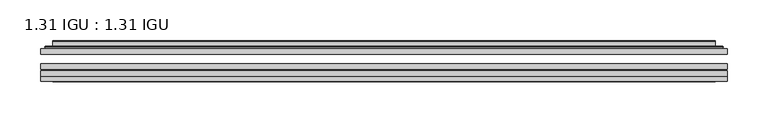
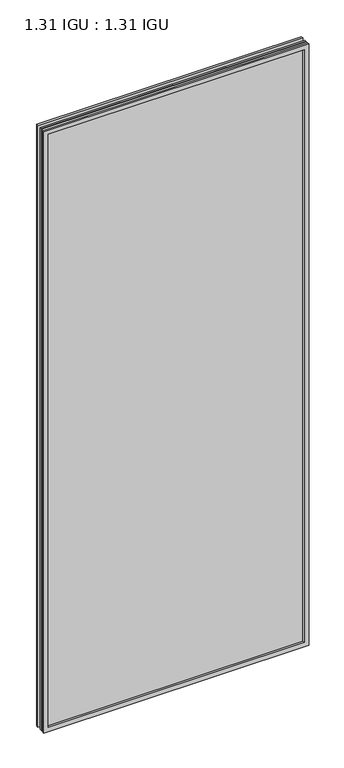
"""IFC4 building model written with IfcOpenShell, lengths in millimetres: plate geometry, 1.31 IGU : 1.31 IGU."""

from ifc_helpers import new_model, si_unit, frame, origin, place, context, project, spatial, polyline, ellipse_curve, outline, extrude, faceted_brep, source, transform, mapped, element, save
from ifc_brep_helpers import plane_surface, cylinder_surface, advanced_brep


def plate_1_31_igu_1_31_igu_de17944b(model_context):
    return source(origin(), model_context, "Body", "SolidModel", [
        extrude(outline(polyline([(419.1140393, -63.59525), (419.1140393, -69.94525), (-419.0998644, -69.94525), (-419.0998644, -63.59525), (419.1140393, -63.59525)])), frame((0.0, 0.0, -14.2875), z_axis=(0.0, 0.0, 1.0), x_axis=(1.0, 0.0, 0.0)), (0.0, 0.0, 1.0), 2009.8015278),
        extrude(outline(polyline([(-419.0998644, -78.58125), (-419.0998644, -72.230745), (419.1140393, -72.230745), (419.1140393, -78.58125), (-419.0998644, -78.58125)])), frame((0.0, 0.0, -14.2875), z_axis=(0.0, 0.0, 1.0), x_axis=(1.0, 0.0, 0.0)), (0.0, 0.0, 1.0), 2009.8015278),
        extrude(outline(polyline([(419.1140393, -45.25645), (419.1140393, -51.60645), (-419.0998644, -51.60645), (-419.0998644, -45.25645), (419.1140393, -45.25645)])), frame((0.0, 0.0, -14.2875), z_axis=(0.0, 0.0, 1.0), x_axis=(1.0, 0.0, 0.0)), (0.0, 0.0, 1.0), 2009.8015278),
        faceted_brep([(-419.1125644, -84.93125, 1995.5229299), (-419.1125644, -78.58125, 1995.5229299), (-419.1125644, -78.58125, -14.3002), (-419.1125644, -84.93125, -14.3002), (419.1125644, -78.58125, -14.3002), (419.1125644, -84.93125, -14.3002), (419.1125644, -78.58125, 1995.5229299), (419.1125644, -84.93125, 1995.5229299), (-403.9146202, -78.58125, 0.8977441), (403.9146202, -78.58125, 0.8977441), (403.9146202, -78.58125, 1980.3249858), (-403.9146202, -78.58125, 1980.3249858), (-404.8070545, -84.93125, 1981.2174201), (404.8070545, -84.93125, 1981.2174201), (404.8070545, -84.93125, 0.0053098), (-404.8070545, -84.93125, 0.0053098)], [[[0, 1, 2, 3]], [[3, 2, 4, 5]], [[5, 4, 6, 7]], [[1, 6, 4, 2], [8, 9, 10, 11]], [[7, 6, 1, 0]], [[3, 5, 7, 0], [12, 13, 14, 15]], [[11, 12, 15, 8]], [[8, 15, 14, 9]], [[9, 14, 13, 10]], [[10, 13, 12, 11]]]),
        advanced_brep(
        [(-411.8585834, -45.25645, 1988.2689489), (-414.2127888, -43.2667833, 1990.6231543), (-414.2127888, -43.2667833, -9.4004244), (-411.8585834, -45.25645, -7.046219), (-402.7842583, -41.416413, 1979.1946238), (-397.8494264, -45.25645, 1974.2597919), (-397.8494264, -45.25645, 6.9629379), (-402.7842583, -41.416413, 2.0281061), (-403.816286, -36.0191819, 1980.2266515), (-403.816286, -36.0191819, 0.9960783), (-404.8069428, -35.6202069, 1981.2173083), (-404.8069428, -35.6202069, 0.0054216), (-404.8069428, -42.08145, 1981.2173083), (-404.8069428, -42.08145, 0.0054216), (-413.2109992, -42.08145, 1989.6213648), (-413.2109992, -42.08145, -8.3986349), (414.2127888, -43.2667833, -9.4004244), (411.8585834, -45.25645, -7.046219), (397.8494264, -45.25645, 6.9629379), (402.7842583, -41.416413, 2.0281061), (403.816286, -36.0191819, 0.9960783), (404.8069428, -35.6202069, 0.0054216), (404.8069428, -42.08145, 0.0054216), (413.2109992, -42.08145, -8.3986349), (414.2127888, -43.2667833, 1990.6231543), (411.8585834, -45.25645, 1988.2689489), (397.8494264, -45.25645, 1974.2597919), (402.7842583, -41.416413, 1979.1946238), (403.816286, -36.0191819, 1980.2266515), (404.8069428, -35.6202069, 1981.2173083), (404.8069428, -42.08145, 1981.2173083), (413.2109992, -42.08145, 1989.6213648)],
        [
            (0, 1, ellipse_curve(frame((-411.8585834, -42.86885, 1988.2689489), z_axis=(-0.7071067811865475, 0.0, -0.7071067811865475), x_axis=(-0.7071067811865474, 0.0, 0.7071067811865476)), 3.3765763, 2.3876)),
            (1, 2),
            (2, 3, ellipse_curve(frame((-411.8585834, -42.86885, -7.046219), z_axis=(-0.7071067811865475, 0.0, 0.7071067811865475), x_axis=(0.7071067811865474, 0.0, 0.7071067811865476)), 3.3765763, 2.3876)),
            (3, 0),
            (4, 5),
            (5, 6),
            (6, 7),
            (7, 4),
            (8, 4),
            (7, 9),
            (9, 8),
            (10, 8, ellipse_curve(frame((-404.4399862, -36.1384423, 1980.8503517), z_axis=(-0.7071067811865475, 0.0, -0.7071067811865475), x_axis=(-0.7071067811865474, 0.0, 0.7071067811865476)), 0.8980256, 0.635)),
            (9, 11, ellipse_curve(frame((-404.4399862, -36.1384423, 0.3723781), z_axis=(-0.7071067811865475, 0.0, 0.7071067811865475), x_axis=(0.7071067811865474, 0.0, 0.7071067811865476)), 0.8980256, 0.635)),
            (11, 10),
            (12, 10),
            (11, 13),
            (13, 12),
            (1, 14, ellipse_curve(frame((-413.2109992, -43.09745, 1989.6213648), z_axis=(-0.7071067811865475, 0.0, -0.7071067811865475), x_axis=(-0.7071067811865474, 0.0, 0.7071067811865476)), 1.436841, 1.016)),
            (14, 15),
            (15, 2, ellipse_curve(frame((-413.2109992, -43.09745, -8.3986349), z_axis=(-0.7071067811865475, 0.0, 0.7071067811865475), x_axis=(0.7071067811865474, 0.0, 0.7071067811865476)), 1.436841, 1.016)),
            (2, 16),
            (16, 17, ellipse_curve(frame((411.8585834, -42.86885, -7.046219), z_axis=(-0.7071067811865475, 0.0, -0.7071067811865475), x_axis=(-0.7071067811865476, 0.0, 0.7071067811865474)), 3.3765763, 2.3876)),
            (17, 3),
            (6, 18),
            (18, 19),
            (19, 7),
            (19, 20),
            (20, 9),
            (20, 21, ellipse_curve(frame((404.4399862, -36.1384423, 0.3723781), z_axis=(-0.7071067811865475, 0.0, -0.7071067811865475), x_axis=(-0.7071067811865476, 0.0, 0.7071067811865474)), 0.8980256, 0.635)),
            (21, 11),
            (21, 22),
            (22, 13),
            (15, 23),
            (23, 16, ellipse_curve(frame((413.2109992, -43.09745, -8.3986349), z_axis=(-0.7071067811865475, 0.0, -0.7071067811865475), x_axis=(-0.7071067811865476, 0.0, 0.7071067811865474)), 1.436841, 1.016)),
            (16, 24),
            (24, 25, ellipse_curve(frame((411.8585834, -42.86885, 1988.2689489), z_axis=(0.7071067811865475, 0.0, -0.7071067811865475), x_axis=(-0.7071067811865474, 0.0, -0.7071067811865476)), 3.3765763, 2.3876)),
            (25, 17),
            (18, 26),
            (26, 27),
            (27, 19),
            (27, 28),
            (28, 20),
            (28, 29, ellipse_curve(frame((404.4399862, -36.1384423, 1980.8503517), z_axis=(0.7071067811865475, 0.0, -0.7071067811865475), x_axis=(-0.7071067811865474, 0.0, -0.7071067811865476)), 0.8980256, 0.635)),
            (29, 21),
            (29, 30),
            (30, 22),
            (23, 31),
            (31, 24, ellipse_curve(frame((413.2109992, -43.09745, 1989.6213648), z_axis=(0.7071067811865475, 0.0, -0.7071067811865475), x_axis=(-0.7071067811865474, 0.0, -0.7071067811865476)), 1.436841, 1.016)),
            (24, 1),
            (0, 25),
            (5, 26),
            (4, 27),
            (8, 28),
            (10, 29),
            (12, 30),
            (14, 31),
        ],
        [
            cylinder_surface(frame((-411.8585834, -42.86885, 2012.9727299), z_axis=(0.0, 0.0, 1.0), x_axis=(-1.0, 0.0, 0.0)), 2.3876),
            plane_surface(frame((-397.8494264, -45.25645, 1974.2597919), z_axis=(0.6141233906514794, 0.7892100234124821, 0.0), x_axis=(0.0, 0.0, -1.0))),
            plane_surface(frame((-402.7842583, -41.416413, 1979.1946238), z_axis=(0.9822050625507729, 0.18781164793386076, 0.0), x_axis=(0.0, 0.0, -1.0))),
            cylinder_surface(frame((-404.4399862, -36.1384423, 2012.9727299), z_axis=(0.0, 0.0, 1.0), x_axis=(-1.0, 0.0, 0.0)), 0.635),
            plane_surface(frame((-404.8069428, -35.6202069, 1981.2173083), z_axis=(-1.0, 0.0, 0.0), x_axis=(0.0, 0.0, -1.0))),
            cylinder_surface(frame((-413.2109992, -43.09745, 2012.9727299), z_axis=(0.0, 0.0, 1.0), x_axis=(-1.0, 0.0, 0.0)), 1.016),
            cylinder_surface(frame((-436.5623644, -42.86885, -7.046219), z_axis=(-1.0, 0.0, 0.0), x_axis=(0.0, 0.0, -1.0)), 2.3876),
            plane_surface(frame((-397.8494264, -45.25645, 6.9629379), z_axis=(0.0, 0.7892100234124841, 0.6141233906514768), x_axis=(1.0, 0.0, 0.0))),
            plane_surface(frame((-402.7842583, -41.416413, 2.0281061), z_axis=(0.0, 0.18781164793386393, 0.9822050625507723), x_axis=(1.0, 0.0, 0.0))),
            cylinder_surface(frame((-436.5623644, -36.1384423, 0.3723781), z_axis=(-1.0, 0.0, 0.0), x_axis=(0.0, 0.0, -1.0)), 0.635),
            plane_surface(frame((-404.8069428, -35.6202069, 0.0054216), z_axis=(0.0, 0.0, -1.0), x_axis=(1.0, 0.0, 0.0))),
            cylinder_surface(frame((-436.5623644, -43.09745, -8.3986349), z_axis=(-1.0, 0.0, 0.0), x_axis=(0.0, 0.0, -1.0)), 1.016),
            cylinder_surface(frame((411.8585834, -42.86885, -31.75), z_axis=(0.0, 0.0, -1.0), x_axis=(1.0, 0.0, 0.0)), 2.3876),
            plane_surface(frame((397.8494264, -45.25645, 6.9629379), z_axis=(-0.6141233906514743, 0.7892100234124861, 0.0), x_axis=(0.0, 0.0, 1.0))),
            plane_surface(frame((402.7842583, -41.416413, 2.0281061), z_axis=(-0.9822050625507718, 0.1878116479338671, 0.0), x_axis=(0.0, 0.0, 1.0))),
            cylinder_surface(frame((404.4399862, -36.1384423, -31.75), z_axis=(0.0, 0.0, -1.0), x_axis=(1.0, 0.0, 0.0)), 0.635),
            plane_surface(frame((404.8069428, -35.6202069, 0.0054216), z_axis=(1.0, 0.0, 0.0), x_axis=(0.0, 0.0, 1.0))),
            cylinder_surface(frame((413.2109992, -43.09745, -31.75), z_axis=(0.0, 0.0, -1.0), x_axis=(1.0, 0.0, 0.0)), 1.016),
            cylinder_surface(frame((436.5623644, -42.86885, 1988.2689489), z_axis=(1.0, 0.0, 0.0), x_axis=(0.0, 0.0, 1.0)), 2.3876),
            plane_surface(frame((411.8585834, -45.25645, 1988.2689489), z_axis=(0.0, -1.0, 0.0), x_axis=(-1.0, 0.0, 0.0))),
            plane_surface(frame((397.8494264, -45.25645, 1974.2597919), z_axis=(0.0, 0.7892100234124841, -0.6141233906514768), x_axis=(-1.0, 0.0, 0.0))),
            plane_surface(frame((402.7842583, -41.416413, 1979.1946238), z_axis=(0.0, 0.18781164793386393, -0.9822050625507723), x_axis=(-1.0, 0.0, 0.0))),
            cylinder_surface(frame((436.5623644, -36.1384423, 1980.8503517), z_axis=(1.0, 0.0, 0.0), x_axis=(0.0, 0.0, 1.0)), 0.635),
            plane_surface(frame((404.8069428, -35.6202069, 1981.2173083), z_axis=(0.0, 0.0, 1.0), x_axis=(-1.0, 0.0, 0.0))),
            plane_surface(frame((404.8069428, -42.08145, 1981.2173083), z_axis=(0.0, 1.0, 0.0), x_axis=(-1.0, 0.0, 0.0))),
            cylinder_surface(frame((436.5623644, -43.09745, 1989.6213648), z_axis=(1.0, 0.0, 0.0), x_axis=(0.0, 0.0, 1.0)), 1.016),
        ],
        [
            (0, [[1, 2, 3, 4]]),
            (1, [[5, 6, 7, 8]]),
            (2, [[9, -8, 10, 11]]),
            (3, [[12, -11, 13, 14]]),
            (4, [[15, -14, 16, 17]]),
            (5, [[18, 19, 20, -2]]),
            (6, [[-3, 21, 22, 23]]),
            (7, [[-7, 24, 25, 26]]),
            (8, [[-10, -26, 27, 28]]),
            (9, [[-13, -28, 29, 30]]),
            (10, [[-16, -30, 31, 32]]),
            (11, [[-20, 33, 34, -21]]),
            (12, [[-22, 35, 36, 37]]),
            (13, [[-25, 38, 39, 40]]),
            (14, [[-27, -40, 41, 42]]),
            (15, [[-29, -42, 43, 44]]),
            (16, [[-31, -44, 45, 46]]),
            (17, [[-34, 47, 48, -35]]),
            (18, [[-36, 49, -1, 50]]),
            (19, [[-23, -37, -50, -4], [51, -38, -24, -6]]),
            (20, [[-39, -51, -5, 52]]),
            (21, [[-41, -52, -9, 53]]),
            (22, [[-43, -53, -12, 54]]),
            (23, [[-45, -54, -15, 55]]),
            (24, [[56, -47, -33, -19], [-32, -46, -55, -17]]),
            (25, [[-48, -56, -18, -49]]),
        ],
    ),
    ])


if __name__ == "__main__":
    model = new_model("IFC4")
    model_context = context("Model", 3, world=origin())
    ifc_project = project(units=[si_unit("LENGTHUNIT", "METRE", prefix="MILLI")], contexts=[model_context])
    site = spatial("IfcSite", under=ifc_project)
    building = spatial("IfcBuilding", under=site)
    placement = place(None, origin())
    plate_1_31_igu_1_31_igu_shape = plate_1_31_igu_1_31_igu_de17944b(model_context)
    element("IfcPlate", 1, ObjectType="1.31 IGU : 1.31 IGU", at=placement, inside=building, context=model_context, shape_type="MappedRepresentation", body=[
        mapped(plate_1_31_igu_1_31_igu_shape, transform((0.0, 0.0, 0.0), x_axis=(1.0, 0.0, 0.0), y_axis=(0.0, 1.0, 0.0), z_axis=(0.0, 0.0, 1.0))),
    ])
    save(model, "model.ifc")
